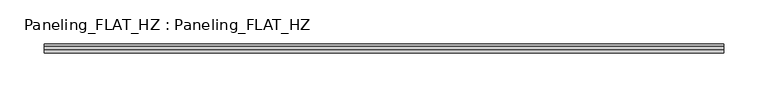
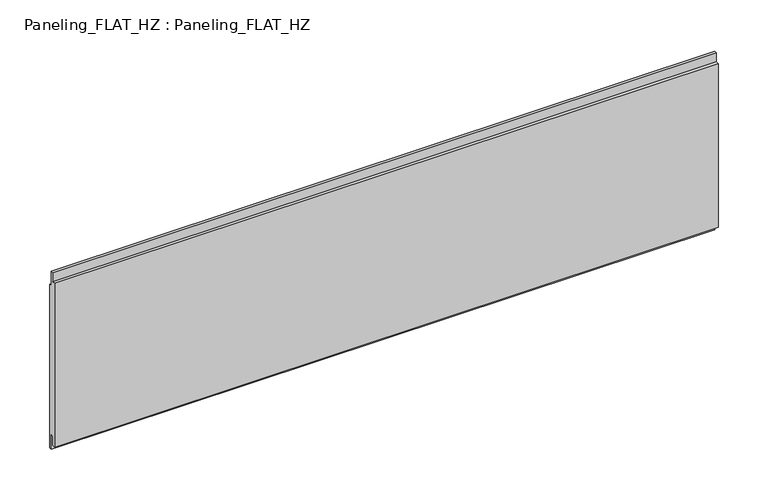
"""IFC4 building model written with IfcOpenShell, lengths in millimetres: plate geometry, Paneling_FLAT_HZ : Paneling_FLAT_HZ."""

from ifc_helpers import new_model, si_unit, frame, origin, place, context, project, spatial, polyline, outline, extrude, source, transform, mapped, element, save


def paneling_flat_hz_paneling_flat_hz_db6ddc65(model_context):
    return source(origin(), model_context, "Body", "SweptSolid", [
        extrude(outline(polyline([(-1.0, 211.0), (2.0, 211.0), (2.0, 193.0), (5.0, 193.0), (5.0, -7.0), (2.0, -7.0), (2.0, 11.0), (-1.0, 11.0), (-1.0, 0.0), (-5.0, 0.0), (-5.0, 200.0), (-1.0, 200.0), (-1.0, 211.0)])), frame((-383.4, 0.0, 0.0), z_axis=(1.0, 0.0, 0.0), x_axis=(0.0, 1.0, 0.0)), (0.0, 0.0, 1.0), 766.8),
    ])


if __name__ == "__main__":
    model = new_model("IFC4")
    model_context = context("Model", 3, world=origin())
    ifc_project = project(units=[si_unit("LENGTHUNIT", "METRE", prefix="MILLI")], contexts=[model_context])
    site = spatial("IfcSite", under=ifc_project)
    building = spatial("IfcBuilding", under=site)
    placement = place(None, origin())
    paneling_flat_hz_paneling_flat_hz_shape = paneling_flat_hz_paneling_flat_hz_db6ddc65(model_context)
    element("IfcPlate", 1, ObjectType="Paneling_FLAT_HZ : Paneling_FLAT_HZ", at=placement, inside=building, context=model_context, shape_type="MappedRepresentation", body=[
        mapped(paneling_flat_hz_paneling_flat_hz_shape, transform((0.0, 0.0, 0.0), x_axis=(1.0, 0.0, 0.0), y_axis=(0.0, 1.0, 0.0), z_axis=(0.0, 0.0, 1.0))),
    ])
    save(model, "model.ifc")
